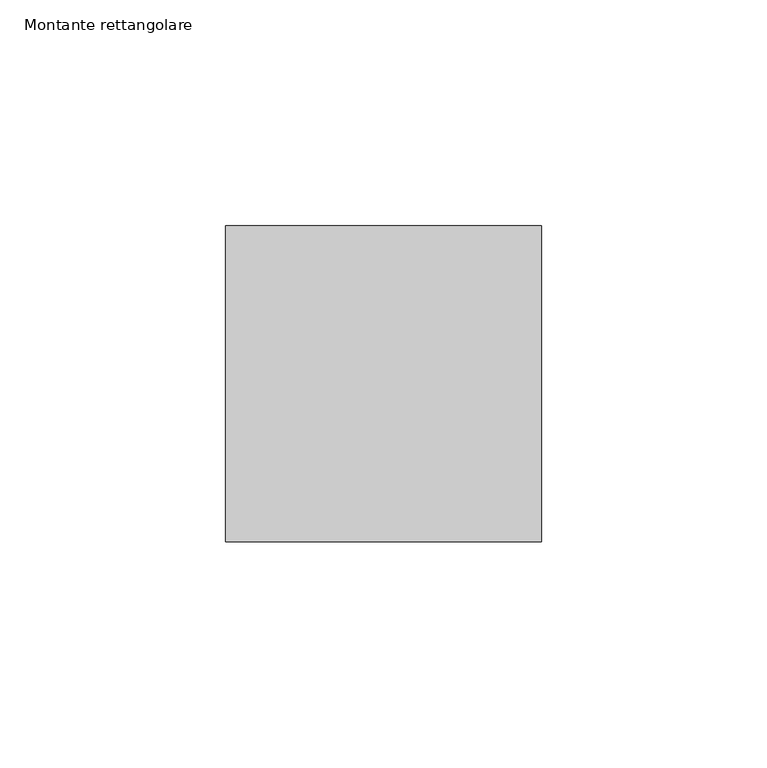
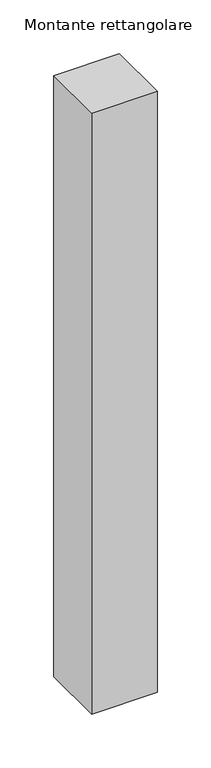
"""IFC4 building model written with IfcOpenShell, lengths in millimetres: member geometry, Montante rettangolare."""

from ifc_helpers import new_model, si_unit, frame, origin, place, context, project, spatial, polyline, outline, extrude, source, transform, mapped, element, save


def montante_rettangolare_6e52802e(model_context):
    return source(origin(), model_context, "Body", "SweptSolid", [
        extrude(outline(polyline([(0.0, 35.0), (0.0, -35.0), (-70.0, -35.0), (-70.0, 35.0), (0.0, 35.0)])), frame((0.0, 0.0, -680.2146031), z_axis=(0.0, 0.0, 1.0), x_axis=(1.0, 0.0, 0.0)), (0.0, 0.0, 1.0), 680.2146031),
    ])


if __name__ == "__main__":
    model = new_model("IFC4")
    model_context = context("Model", 3, world=origin())
    ifc_project = project(units=[si_unit("LENGTHUNIT", "METRE", prefix="MILLI")], contexts=[model_context])
    site = spatial("IfcSite", under=ifc_project)
    building = spatial("IfcBuilding", under=site)
    placement = place(None, origin())
    montante_rettangolare_shape = montante_rettangolare_6e52802e(model_context)
    element("IfcMember", 1, ObjectType="Montante rettangolare", at=placement, inside=building, context=model_context, shape_type="MappedRepresentation", body=[
        mapped(montante_rettangolare_shape, transform((0.0, 0.0, 0.0), x_axis=(1.0, 0.0, 0.0), y_axis=(0.0, 1.0, 0.0), z_axis=(0.0, 0.0, 1.0))),
    ])
    save(model, "model.ifc")
